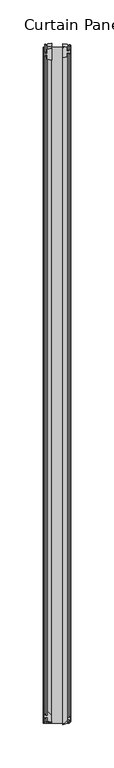
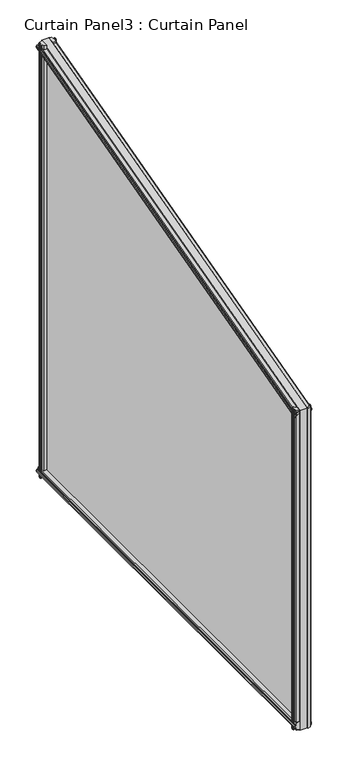
"""IFC4 building model written with IfcOpenShell, lengths in millimetres: plate geometry, Curtain Panel3 : Curtain Panel."""

from ifc_helpers import new_model, si_unit, frame, origin, place, context, project, spatial, polyline, outline, extrude, source, transform, mapped, element, save


def curtain_panel3_curtain_panel_14556212(model_context):
    return source(origin(), model_context, "Body", "SweptSolid", [
        extrude(outline(polyline([(0.0, -2.7946998), (4.5253217, -3.9452053), (4.5253217, -8.2378053), (7.2431217, -8.7204053), (6.9891217, -7.1710053), (7.8019217, -7.1710053), (8.2083217, -9.5078053), (7.8019217, -11.8446053), (6.9891217, -11.8446053), (7.2431217, -10.2952053), (4.5253217, -10.7778053), (4.5253217, -15.0704053), (0.0, -16.2209108), (0.0, -2.7946998)])), frame((-5117.3782493, 1363.4505824, 2316.0425352), z_axis=(0.0, 0.9659258262890743, 0.2588190451024984), x_axis=(-1.0, 0.0, 0.0)), (0.0, 0.0, 1.0), 806.8454328),
        extrude(outline(polyline([(-12.8524, -13.7483637), (-17.9427564, -12.4542053), (-17.9427564, -8.1616054), (-20.6605564, -7.6790054), (-20.4065564, -9.2284053), (-21.2193564, -9.2284053), (-21.6257564, -6.8916054), (-21.2193564, -4.5548053), (-20.4065564, -4.5548053), (-20.6605564, -6.1042054), (-17.9427564, -5.6216053), (-17.9427564, -1.3290054), (-12.8524, -0.0348469), (-12.8524, -13.7483637)])), frame((-5117.3782493, 1363.4505824, 2316.0425352), z_axis=(0.0, 0.9659258262890743, 0.2588190451024984), x_axis=(-1.0, 0.0, 0.0)), (0.0, 0.0, 1.0), 806.8454328),
        extrude(outline(polyline([(-5117.3782493, 1378.2956366), (-5117.3782493, 1364.7326788), (-5122.1725064, 1365.9515577), (-5122.1725064, 1370.2441577), (-5124.8903064, 1370.7267577), (-5124.6363064, 1369.1773577), (-5125.4491064, 1369.1773577), (-5125.8555064, 1371.5141577), (-5125.4491064, 1373.8509577), (-5124.6363064, 1373.8509577), (-5124.8903064, 1372.3015577), (-5122.1725064, 1372.7841577), (-5122.1725064, 1377.0767577), (-5117.3782493, 1378.2956366)])), frame((0.0, 0.0, 1727.321074), z_axis=(0.0, 0.0, 1.0), x_axis=(1.0, 0.0, 0.0)), (0.0, 0.0, 1.0), 588.7214612),
        extrude(outline(polyline([(-5096.9757064, 1369.6599577), (-5097.2297064, 1371.2093577), (-5096.4169064, 1371.2093577), (-5096.0105064, 1368.8725577), (-5096.4169064, 1366.5357577), (-5097.2297064, 1366.5357577), (-5096.9757064, 1368.0851577), (-5099.6935064, 1367.6025577), (-5099.6935064, 1363.3099577), (-5104.5258493, 1362.0813959), (-5104.5258493, 1375.6637194), (-5099.6935064, 1374.4351577), (-5099.6935064, 1370.1425577), (-5096.9757064, 1369.6599577)])), frame((0.0, 0.0, 1727.321074), z_axis=(0.0, 0.0, 1.0), x_axis=(1.0, 0.0, 0.0)), (0.0, 0.0, 1.0), 588.7214612),
        extrude(outline(polyline([(1743.1709721, -5117.3782493), (1741.6558267, -5123.3378211), (1737.3632267, -5123.3378211), (1736.8806267, -5126.0556211), (1738.4300267, -5125.8016211), (1738.4300267, -5126.6144211), (1736.0932267, -5127.0208211), (1733.7564267, -5126.6144211), (1733.7564267, -5125.8016211), (1735.3058267, -5126.0556211), (1734.8232267, -5123.3378211), (1730.5306267, -5123.3378211), (1729.0154813, -5117.3782493), (1743.1709721, -5117.3782493)])), frame((0.0, 1363.4505824, 0.0), z_axis=(0.0, 1.0, 0.0), x_axis=(0.0, 0.0, 1.0)), (0.0, 0.0, 1.0), 779.3528414),
        extrude(outline(polyline([(1739.946522, -5104.5258493), (1726.9567314, -5104.5258493), (1727.8890267, -5100.8588211), (1732.1816267, -5100.8588211), (1732.6642267, -5098.1410211), (1731.1148267, -5098.3950211), (1731.1148267, -5097.5822211), (1733.4516267, -5097.1758211), (1735.7884267, -5097.5822211), (1735.7884267, -5098.3950211), (1734.2390267, -5098.1410211), (1734.7216267, -5100.8588211), (1739.0142267, -5100.8588211), (1739.946522, -5104.5258493)])), frame((0.0, 1363.4505824, 0.0), z_axis=(0.0, 1.0, 0.0), x_axis=(0.0, 0.0, 1.0)), (0.0, 0.0, 1.0), 779.3528414),
        extrude(outline(polyline([(-5117.3782493, 2141.3801435), (-5117.3782493, 2127.6663098), (-5122.4692289, 2128.9606266), (-5122.4692289, 2133.2532266), (-5125.1870289, 2133.7358266), (-5124.9330289, 2132.1864266), (-5125.7458289, 2132.1864266), (-5126.1522289, 2134.5232266), (-5125.7458289, 2136.8600266), (-5124.9330289, 2136.8600266), (-5125.1870289, 2135.3106266), (-5122.4692289, 2135.7932266), (-5122.4692289, 2140.0858266), (-5117.3782493, 2141.3801435)])), frame((0.0, 0.0, 1727.321074), z_axis=(0.0, 0.0, 1.0), x_axis=(1.0, 0.0, 0.0)), (0.0, 0.0, 1.0), 797.5484256),
        extrude(outline(polyline([(-5104.5258493, 2130.4491028), (-5104.5258493, 2143.8805505), (-5099.9902289, 2142.7274266), (-5099.9902289, 2138.4348266), (-5097.2724289, 2137.9522266), (-5097.5264289, 2139.5016266), (-5096.7136289, 2139.5016266), (-5096.3072289, 2137.1648266), (-5096.7136289, 2134.8280266), (-5097.5264289, 2134.8280266), (-5097.2724289, 2136.3774266), (-5099.9902289, 2135.8948266), (-5099.9902289, 2131.6022266), (-5104.5258493, 2130.4491028)])), frame((0.0, 0.0, 1727.321074), z_axis=(0.0, 0.0, 1.0), x_axis=(1.0, 0.0, 0.0)), (0.0, 0.0, 1.0), 797.5484256),
        extrude(outline(polyline([(2142.8034238, 1727.321074), (1363.4505824, 1727.321074), (1363.4505824, 2316.0425352), (2142.8034238, 2524.8694996), (2142.8034238, 1727.321074)])), frame((-5117.3782493, 0.0, 0.0), z_axis=(1.0, 0.0, 0.0), x_axis=(0.0, 1.0, 0.0)), (0.0, 0.0, 1.0), 12.8524),
    ])


if __name__ == "__main__":
    model = new_model("IFC4")
    model_context = context("Model", 3, world=origin())
    ifc_project = project(units=[si_unit("LENGTHUNIT", "METRE", prefix="MILLI")], contexts=[model_context])
    site = spatial("IfcSite", under=ifc_project)
    building = spatial("IfcBuilding", under=site)
    placement = place(None, origin())
    curtain_panel3_curtain_panel_shape = curtain_panel3_curtain_panel_14556212(model_context)
    element("IfcPlate", 1, ObjectType="Curtain Panel3 : Curtain Panel", at=placement, inside=building, context=model_context, shape_type="MappedRepresentation", body=[
        mapped(curtain_panel3_curtain_panel_shape, transform((0.0, 0.0, 0.0), x_axis=(1.0, 0.0, 0.0), y_axis=(0.0, 1.0, 0.0), z_axis=(0.0, 0.0, 1.0))),
    ])
    save(model, "model.ifc")
